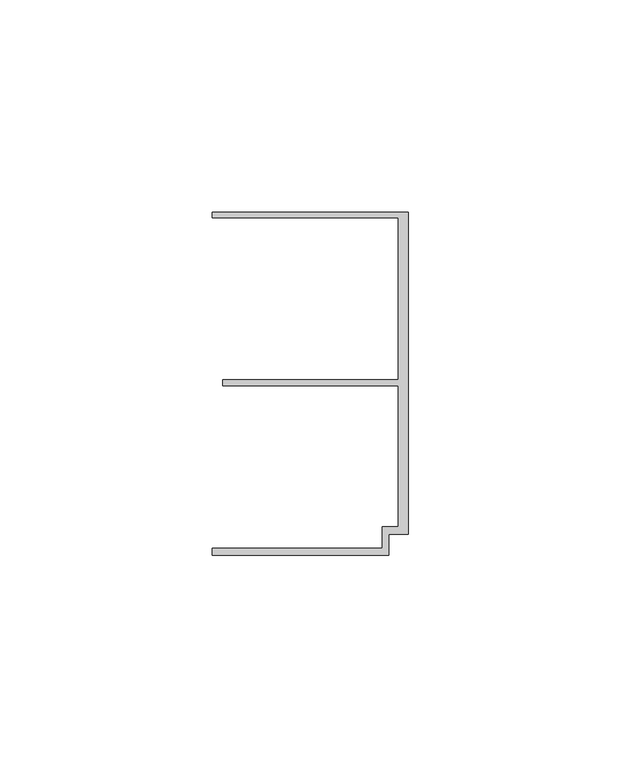
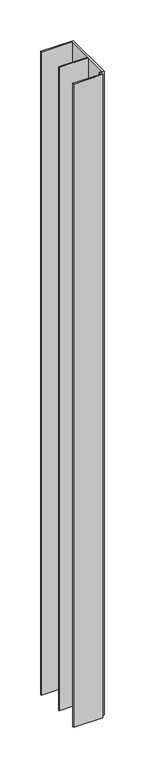
"""IFC4 building model written with IfcOpenShell, lengths in millimetres: member geometry."""

from ifc_helpers import new_model, si_unit, frame, origin, place, context, project, spatial, polyline, outline, extrude, source, transform, mapped, element, save


def member_4fce9b4d(model_context):
    return source(origin(), model_context, "Body", "SweptSolid", [
        extrude(outline(polyline([(-6.2, -33.95), (-2.4, -33.95), (-2.4, -0.75), (-43.8, -0.75), (-43.8, 0.75), (-2.4, 0.75), (-2.4, 38.95), (-46.3, 38.95), (-46.3, 40.25), (0.0, 40.25), (0.0, -35.75), (-4.6999992, -35.75), (-4.6999992, -40.65), (-46.3, -40.65), (-46.3, -38.95), (-6.2, -38.95), (-6.2, -33.95)])), frame((0.0, 0.0, -965.0), z_axis=(0.0, 0.0, 1.0), x_axis=(1.0, 0.0, 0.0)), (0.0, 0.0, 1.0), 965.0),
    ])


if __name__ == "__main__":
    model = new_model("IFC4")
    model_context = context("Model", 3, world=origin())
    ifc_project = project(units=[si_unit("LENGTHUNIT", "METRE", prefix="MILLI")], contexts=[model_context])
    site = spatial("IfcSite", under=ifc_project)
    building = spatial("IfcBuilding", under=site)
    placement = place(None, origin())
    member_shape = member_4fce9b4d(model_context)
    element("IfcMember", 1, at=placement, inside=building, context=model_context, shape_type="MappedRepresentation", body=[
        mapped(member_shape, transform((0.0, 0.0, 0.0), x_axis=(1.0, 0.0, 0.0), y_axis=(0.0, 1.0, 0.0), z_axis=(0.0, 0.0, 1.0))),
    ])
    save(model, "model.ifc")
